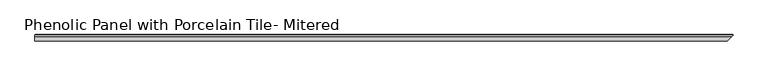
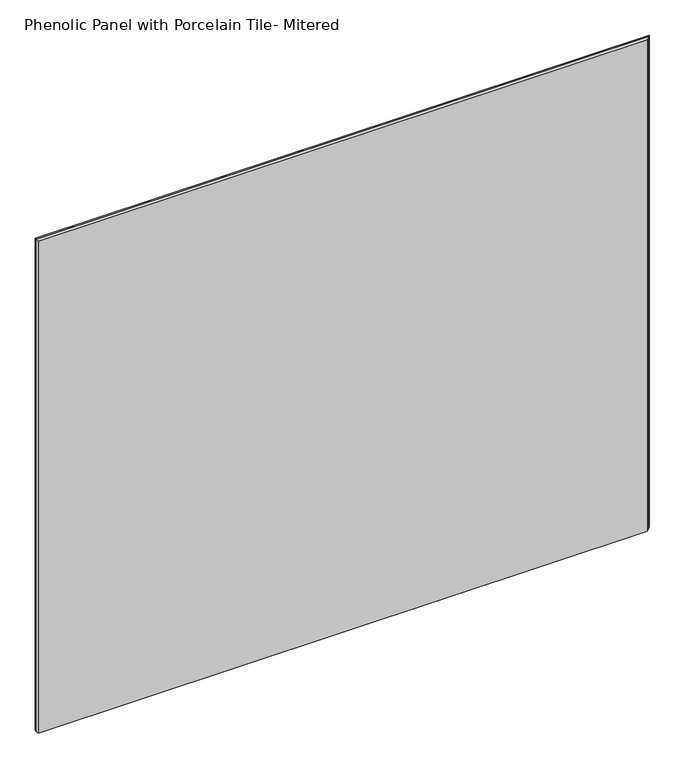
"""IFC4 building model written with IfcOpenShell, lengths in millimetres: proxy geometry, Phenolic Panel with Porcelain Tile- Mitered."""

from ifc_helpers import new_model, si_unit, origin, origin_with_axes, place, context, project, spatial, polyline, outline, extrude, faceted_brep, source, transform, mapped, element, save


def phenolic_panel_with_porcelain_tile_mitered_25ce4543(model_context):
    return source(origin(), model_context, "Body", "SolidModel", [
        faceted_brep([(1006.8724804, 5.5554561, 914.4), (-73.025, 5.5554561, 914.4), (-73.025, 3.175, 914.4), (1004.490625, 3.175, 914.4), (-73.025, 5.556264, 0.0), (1006.8724804, 5.556264, 0.0), (1004.490625, 3.175, 0.0), (-73.025, 3.175, 0.0), (-72.2380738, 6.3486813, 913.6067749), (1006.0914347, 6.3486813, 913.6067749), (1006.0914347, 6.3486813, 0.7924172), (-72.2380738, 6.3486813, 0.7924172)], [[[0, 1, 2, 3]], [[4, 5, 6, 7]], [[8, 9, 10, 11]], [[1, 8, 11, 4]], [[5, 10, 9, 0]], [[0, 9, 8, 1]], [[4, 11, 10, 5]], [[3, 6, 5, 0]], [[2, 7, 6, 3]], [[1, 4, 7, 2]]]),
        extrude(outline(polyline([(998.140625, -3.175), (-73.025, -3.175), (-73.025, 3.175), (1004.490625, 3.175), (998.140625, -3.175)])), origin_with_axes(), (0.0, 0.0, 1.0), 914.4),
    ])


if __name__ == "__main__":
    model = new_model("IFC4")
    model_context = context("Model", 3, world=origin())
    ifc_project = project(units=[si_unit("LENGTHUNIT", "METRE", prefix="MILLI")], contexts=[model_context])
    site = spatial("IfcSite", under=ifc_project)
    building = spatial("IfcBuilding", under=site)
    placement = place(None, origin())
    phenolic_panel_with_porcelain_tile_mitered_shape = phenolic_panel_with_porcelain_tile_mitered_25ce4543(model_context)
    element("IfcBuildingElementProxy", 1, Name="Phenolic Panel with Porcelain Tile- Mitered", ObjectType="Phenolic Panel with Porcelain Tile- Mitered", at=placement, inside=building, context=model_context, shape_type="MappedRepresentation", body=[
        mapped(phenolic_panel_with_porcelain_tile_mitered_shape, transform((0.0, 0.0, 0.0), x_axis=(1.0, 0.0, 0.0), y_axis=(0.0, 1.0, 0.0), z_axis=(0.0, 0.0, 1.0))),
    ])
    save(model, "model.ifc")
